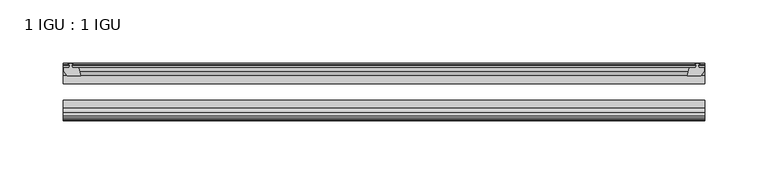
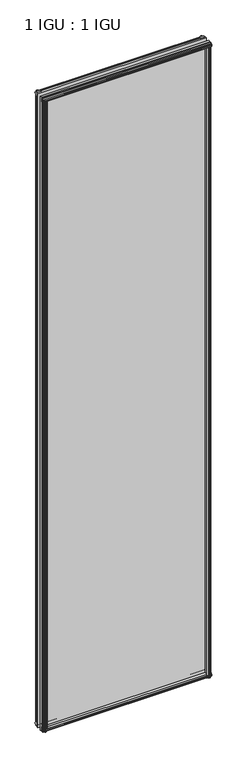
"""IFC4 building model written with IfcOpenShell, lengths in millimetres: plate geometry, 1 IGU : 1 IGU."""

from ifc_helpers import new_model, si_unit, frame, origin, place, context, project, spatial, polyline, outline, extrude, source, transform, mapped, element, save


def plate_1_igu_1_igu_89186419(model_context):
    return source(origin(), model_context, "Body", "SweptSolid", [
        extrude(outline(polyline([(245.512276, -10.4746158), (247.689805, -9.7670938), (249.8673341, -10.4746158), (249.8673341, -11.27583), (248.451805, -10.8158968), (248.832805, -13.1960938), (253.277805, -13.1960938), (253.277805, -16.1424938), (250.4434628, -19.5460938), (239.6220869, -19.5460938), (241.339805, -13.1960938), (246.546805, -13.1960938), (246.927805, -10.8158968), (245.512276, -11.27583), (245.512276, -10.4746158)])), frame((0.0, 0.0, -12.4587), z_axis=(0.0, 0.0, 1.0), x_axis=(1.0, 0.0, 0.0)), (0.0, 0.0, 1.0), 2018.8174),
        extrude(outline(polyline([(-247.689805, -9.7670937), (-245.512276, -10.4746158), (-245.512276, -11.27583), (-246.927805, -10.8158968), (-246.546805, -13.1960937), (-241.339805, -13.1960937), (-239.6220869, -19.5460937), (-250.4434628, -19.5460937), (-253.277805, -16.1424937), (-253.277805, -13.1960937), (-248.832805, -13.1960937), (-248.451805, -10.8158968), (-249.8673341, -11.27583), (-249.8673341, -10.4746158), (-247.689805, -9.7670937)])), frame((0.0, 0.0, -12.4587), z_axis=(0.0, 0.0, 1.0), x_axis=(1.0, 0.0, 0.0)), (0.0, 0.0, 1.0), 2018.8174),
        extrude(outline(polyline([(239.1046889, -44.9460938), (249.9260648, -44.9460938), (252.760407, -48.3496938), (252.760407, -51.2960938), (248.315407, -51.2960938), (247.934407, -53.6762907), (249.349936, -53.2163575), (249.349936, -54.0175717), (247.172407, -54.7250938), (244.9948779, -54.0175717), (244.9948779, -53.2163575), (246.410407, -53.6762907), (246.029407, -51.2960938), (240.822407, -51.2960938), (239.1046889, -44.9460938)])), frame((0.0, 0.0, -12.4587), z_axis=(0.0, 0.0, 1.0), x_axis=(1.0, 0.0, 0.0)), (0.0, 0.0, 1.0), 2006.1174),
        extrude(outline(polyline([(-239.1013869, -44.9460937), (-240.819105, -51.2960937), (-246.026105, -51.2960937), (-246.407105, -53.6762907), (-244.991576, -53.2163575), (-244.991576, -54.0175717), (-247.169105, -54.7250937), (-249.3466341, -54.0175717), (-249.3466341, -53.2163575), (-247.931105, -53.6762907), (-248.312105, -51.2960937), (-252.757105, -51.2960937), (-252.757105, -48.3496937), (-249.9227628, -44.9460937), (-239.1013869, -44.9460937)])), frame((0.0, 0.0, -12.4587), z_axis=(0.0, 0.0, 1.0), x_axis=(1.0, 0.0, 0.0)), (0.0, 0.0, 1.0), 2006.1174),
        extrude(outline(polyline([(-10.4746158, -4.6931709), (-9.7670937, -6.8707), (-10.4746158, -9.0482291), (-11.27583, -9.0482291), (-10.8158968, -7.6327), (-13.1960937, -8.0137), (-13.1960937, -12.4587), (-16.1424937, -12.4587), (-19.5460937, -9.6243578), (-19.5460937, 1.1970181), (-13.1960937, -0.5207), (-13.1960937, -5.7277), (-10.8158968, -6.1087), (-11.27583, -4.6931709), (-10.4746158, -4.6931709)])), frame((-253.519105, 0.0, 0.0), z_axis=(1.0, 0.0, 0.0), x_axis=(0.0, 1.0, 0.0)), (0.0, 0.0, 1.0), 507.03821),
        extrude(outline(polyline([(-44.9460937, 1.7177181), (-44.9460937, -9.1036578), (-48.3496937, -11.938), (-51.2960937, -11.938), (-51.2960937, -7.493), (-53.6762907, -7.112), (-53.2163575, -8.5275291), (-54.0175717, -8.5275291), (-54.7250937, -6.35), (-54.0175717, -4.1724709), (-53.2163575, -4.1724709), (-53.6762907, -5.588), (-51.2960937, -5.207), (-51.2960937, 0.0), (-44.9460937, 1.7177181)])), frame((-253.519105, 0.0, 0.0), z_axis=(1.0, 0.0, 0.0), x_axis=(0.0, 1.0, 0.0)), (0.0, 0.0, 1.0), 507.03821),
        extrude(outline(polyline([(-10.8158968, 2001.5327), (-11.27583, 2002.9482291), (-10.4746158, 2002.9482291), (-9.7670937, 2000.7707), (-10.4746158, 1998.5931709), (-11.27583, 1998.5931709), (-10.8158968, 2000.0087), (-13.1960937, 1999.6277), (-13.1960937, 1994.4207), (-19.5460938, 1992.7029819), (-19.5460938, 2003.5243578), (-16.1424937, 2006.3587), (-13.1960937, 2006.3587), (-13.1960937, 2001.9137), (-10.8158968, 2001.5327)])), frame((-253.519105, 0.0, 0.0), z_axis=(1.0, 0.0, 0.0), x_axis=(0.0, 1.0, 0.0)), (0.0, 0.0, 1.0), 507.03821),
        extrude(outline(polyline([(-51.2960937, 2005.838), (-48.3496937, 2005.838), (-44.9460938, 2003.0036578), (-44.9460938, 1992.1822819), (-51.2960937, 1993.9), (-51.2960937, 1999.107), (-53.6762907, 1999.488), (-53.2163575, 1998.0724709), (-54.0175717, 1998.0724709), (-54.7250937, 2000.25), (-54.0175717, 2002.4275291), (-53.2163575, 2002.4275291), (-53.6762907, 2001.012), (-51.2960937, 2001.393), (-51.2960937, 2005.838)])), frame((-253.519105, 0.0, 0.0), z_axis=(1.0, 0.0, 0.0), x_axis=(0.0, 1.0, 0.0)), (0.0, 0.0, 1.0), 507.03821),
        extrude(outline(polyline([(-253.519105, -38.9186738), (253.519105, -38.9186738), (253.519105, -44.9460937), (-253.519105, -44.9460937), (-253.519105, -38.9186738)])), frame((0.0, 0.0, -12.7), z_axis=(0.0, 0.0, 1.0), x_axis=(1.0, 0.0, 0.0)), (0.0, 0.0, 1.0), 2019.3),
        extrude(outline(polyline([(-253.519105, -19.5460937), (253.519105, -19.5460937), (253.519105, -25.8960938), (-253.519105, -25.8960938), (-253.519105, -19.5460937)])), frame((0.0, 0.0, -12.7), z_axis=(0.0, 0.0, 1.0), x_axis=(1.0, 0.0, 0.0)), (0.0, 0.0, 1.0), 2019.3),
    ])


if __name__ == "__main__":
    model = new_model("IFC4")
    model_context = context("Model", 3, world=origin())
    ifc_project = project(units=[si_unit("LENGTHUNIT", "METRE", prefix="MILLI")], contexts=[model_context])
    site = spatial("IfcSite", under=ifc_project)
    building = spatial("IfcBuilding", under=site)
    placement = place(None, origin())
    plate_1_igu_1_igu_shape = plate_1_igu_1_igu_89186419(model_context)
    element("IfcPlate", 1, ObjectType="1 IGU : 1 IGU", at=placement, inside=building, context=model_context, shape_type="MappedRepresentation", body=[
        mapped(plate_1_igu_1_igu_shape, transform((0.0, 0.0, 0.0), x_axis=(1.0, 0.0, 0.0), y_axis=(0.0, 1.0, 0.0), z_axis=(0.0, 0.0, 1.0))),
    ])
    save(model, "model.ifc")
